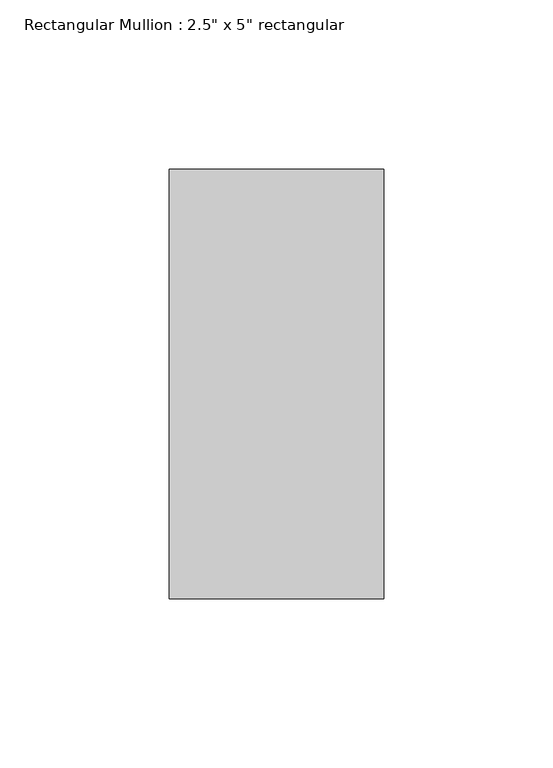
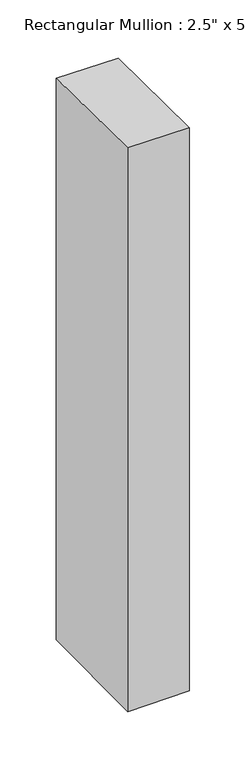
"""IFC4 building model written with IfcOpenShell, lengths in millimetres: member geometry."""

from ifc_helpers import new_model, si_unit, origin, place, context, project, spatial, faceted_brep, source, transform, mapped, element, save


def member_a2c08879(model_context):
    return source(origin(), model_context, "Body", "Brep", [
        faceted_brep([(-63.5, 63.5, 0.012857), (0.0, 63.5, -0.7556293), (0.0, 63.5, -608.9029812), (-63.5, 63.5, -609.7694347), (-63.5, -63.5, 1.5241156), (-63.5, -63.5, -611.2817176), (0.0, -63.5, 0.7556293), (0.0, -63.5, -610.415264)], [[[0, 1, 2, 3]], [[4, 0, 3, 5]], [[6, 4, 5, 7]], [[1, 6, 7, 2]], [[1, 0, 4, 6]], [[2, 7, 5, 3]]]),
    ])


if __name__ == "__main__":
    model = new_model("IFC4")
    model_context = context("Model", 3, world=origin())
    ifc_project = project(units=[si_unit("LENGTHUNIT", "METRE", prefix="MILLI")], contexts=[model_context])
    site = spatial("IfcSite", under=ifc_project)
    building = spatial("IfcBuilding", under=site)
    placement = place(None, origin())
    member_shape = member_a2c08879(model_context)
    element("IfcMember", 1, ObjectType="Rectangular Mullion : 2.5\" x 5\" rectangular", at=placement, inside=building, context=model_context, shape_type="MappedRepresentation", body=[
        mapped(member_shape, transform((0.0, 0.0, 0.0), x_axis=(1.0, 0.0, 0.0), y_axis=(0.0, 1.0, 0.0), z_axis=(0.0, 0.0, 1.0))),
    ])
    save(model, "model.ifc")
